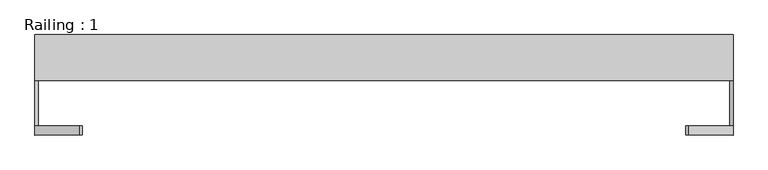
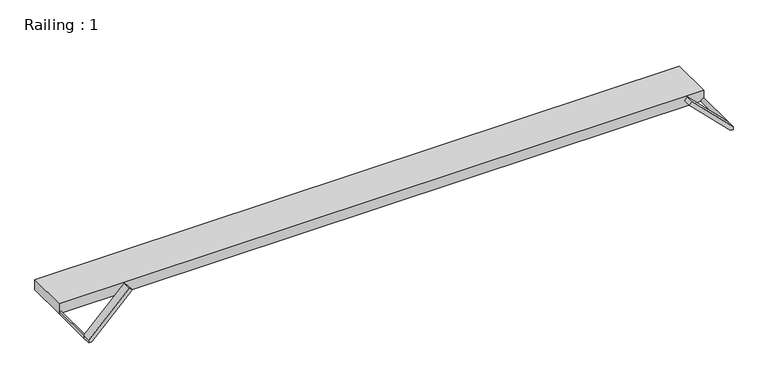
"""IFC4 building model written with IfcOpenShell, lengths in millimetres: proxy geometry, Railing : 1."""

from ifc_helpers import new_model, si_unit, point, frame, frame_2d, origin, origin_with_axes, place, context, project, spatial, polyline, circle_curve, trimmed, segment, composite_curve, outline, extrude, source, transform, mapped, element, save


def railing_1_620ade9d(model_context):
    return source(origin(), model_context, "Body", "SweptSolid", [
        extrude(outline(polyline([(763.5223146, 148.3559767), (-763.5223146, 148.3559767), (-763.5223146, 248.3559767), (763.5223146, 248.3559767), (763.5223146, 148.3559767)])), origin_with_axes(), (0.0, 0.0, 1.0), 25.0),
        extrude(outline(composite_curve([segment(polyline([(0.0, 763.5223146), (7.0710678, 763.5223146)]), True, "CONTINUOUS"), segment(trimmed(circle_curve(frame_2d((0.0, 763.5223146)), 7.0710678), [point((7.0710678, 763.5223146))], [point((0.0, 756.4512468))], False, "CARTESIAN"), True, "CONTINUOUS"), segment(polyline([(0.0, 756.4512468), (0.0, 763.5223146)]), True, "CONTINUOUS")], self_intersect=False)), frame((0.0, 48.3559767, 0.0), z_axis=(0.0, 1.0, 0.0), x_axis=(0.0, 0.0, 1.0)), (0.0, 0.0, 1.0), 100.0),
        extrude(outline(composite_curve([segment(polyline([(0.0, -763.5223146), (0.0, -756.4512468)]), True, "CONTINUOUS"), segment(trimmed(circle_curve(frame_2d((0.0, -763.5223146)), 7.0710678), [point((0.0, -756.4512468))], [point((7.0710678, -763.5223146))], False, "CARTESIAN"), True, "CONTINUOUS"), segment(polyline([(7.0710678, -763.5223146), (0.0, -763.5223146)]), True, "CONTINUOUS")], self_intersect=False)), frame((0.0, 48.3559767, 0.0), z_axis=(0.0, 1.0, 0.0), x_axis=(0.0, 0.0, 1.0)), (0.0, 0.0, 1.0), 100.0),
        extrude(outline(polyline([(103.5355339, 667.0578485), (96.4644661, 659.9867807), (0.0, 756.4512468), (0.0, 763.5223146), (7.0710678, 763.5223146), (103.5355339, 667.0578485)])), frame((0.0, 28.3559767, 0.0), z_axis=(0.0, 1.0, 0.0), x_axis=(0.0, 0.0, 1.0)), (0.0, 0.0, 1.0), 20.0),
        extrude(outline(polyline([(0.0, -763.5223146), (0.0, -756.4512468), (96.4644661, -659.9867807), (103.5355339, -667.0578485), (7.0710678, -763.5223146), (0.0, -763.5223146)])), frame((0.0, 28.3559767, 0.0), z_axis=(0.0, 1.0, 0.0), x_axis=(0.0, 0.0, 1.0)), (0.0, 0.0, 1.0), 20.0),
    ])


if __name__ == "__main__":
    model = new_model("IFC4")
    model_context = context("Model", 3, world=origin())
    ifc_project = project(units=[si_unit("LENGTHUNIT", "METRE", prefix="MILLI")], contexts=[model_context])
    site = spatial("IfcSite", under=ifc_project)
    building = spatial("IfcBuilding", under=site)
    placement = place(None, origin())
    railing_1_shape = railing_1_620ade9d(model_context)
    element("IfcBuildingElementProxy", 1, Name="Railing : 1", ObjectType="Railing : 1", at=placement, inside=building, context=model_context, shape_type="MappedRepresentation", body=[
        mapped(railing_1_shape, transform((0.0, 0.0, 0.0), x_axis=(1.0, 0.0, 0.0), y_axis=(0.0, 1.0, 0.0), z_axis=(0.0, 0.0, 1.0))),
    ])
    save(model, "model.ifc")
